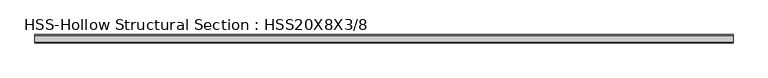
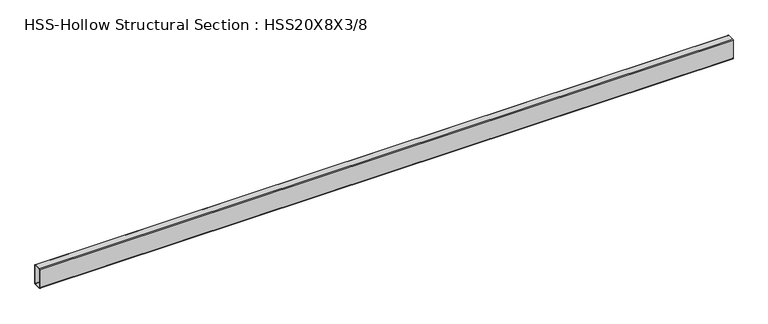
"""IFC4 building model written with IfcOpenShell, lengths in millimetres: beam geometry, HSS-Hollow Structural Section : HSS20X8X3/8."""

from ifc_helpers import new_model, si_unit, point, frame, frame_2d, origin, place, context, project, spatial, polyline, circle_curve, trimmed, segment, composite_curve, outline, extrude, source, transform, mapped, element, save


def hss_hollow_structural_section_hss20x8x3_8_7c6fca13(model_context):
    return source(origin(), model_context, "Body", "SweptSolid", [
        extrude(outline(composite_curve([segment(polyline([(101.6, 236.2708), (101.6, -236.2708)]), True, "CONTINUOUS"), segment(trimmed(circle_curve(frame_2d((83.8708, -236.2708)), 17.7292), [point((101.6, -236.2708))], [point((83.8708, -254.0))], False, "CARTESIAN"), True, "CONTINUOUS"), segment(polyline([(83.8708, -254.0), (-83.8708, -254.0)]), True, "CONTINUOUS"), segment(trimmed(circle_curve(frame_2d((-83.8708, -236.2708)), 17.7292), [point((-83.8708, -254.0))], [point((-101.6, -236.2708))], False, "CARTESIAN"), True, "CONTINUOUS"), segment(polyline([(-101.6, -236.2708), (-101.6, 236.2708)]), True, "CONTINUOUS"), segment(trimmed(circle_curve(frame_2d((-83.8708, 236.2708)), 17.7292), [point((-101.6, 236.2708))], [point((-83.8708, 254.0))], False, "CARTESIAN"), True, "CONTINUOUS"), segment(polyline([(-83.8708, 254.0), (83.8708, 254.0)]), True, "CONTINUOUS"), segment(trimmed(circle_curve(frame_2d((83.8708, 236.2708)), 17.7292), [point((83.8708, 254.0))], [point((101.6, 236.2708))], False, "CARTESIAN"), True, "CONTINUOUS")], self_intersect=False), holes=[composite_curve([segment(trimmed(circle_curve(frame_2d((-83.8708, 236.2708)), 8.8646), [point((-83.8708, 245.1354))], [point((-92.7354, 236.2708))], True, "CARTESIAN"), True, "CONTINUOUS"), segment(polyline([(-92.7354, 236.2708), (-92.7354, -236.2708)]), True, "CONTINUOUS"), segment(trimmed(circle_curve(frame_2d((-83.8708, -236.2708)), 8.8646), [point((-92.7354, -236.2708))], [point((-83.8708, -245.1354))], True, "CARTESIAN"), True, "CONTINUOUS"), segment(polyline([(-83.8708, -245.1354), (83.8708, -245.1354)]), True, "CONTINUOUS"), segment(trimmed(circle_curve(frame_2d((83.8708, -236.2708)), 8.8646), [point((83.8708, -245.1354))], [point((92.7354, -236.2708))], True, "CARTESIAN"), True, "CONTINUOUS"), segment(polyline([(92.7354, -236.2708), (92.7354, 236.2708)]), True, "CONTINUOUS"), segment(trimmed(circle_curve(frame_2d((83.8708, 236.2708)), 8.8646), [point((92.7354, 236.2708))], [point((83.8708, 245.1354))], True, "CARTESIAN"), True, "CONTINUOUS"), segment(polyline([(83.8708, 245.1354), (-83.8708, 245.1354)]), True, "CONTINUOUS")], self_intersect=False)]), frame((-8595.3887672, 0.0, 0.0), z_axis=(1.0, 0.0, 0.0), x_axis=(0.0, 1.0, 0.0)), (0.0, 0.0, 1.0), 17206.2368141),
    ])


if __name__ == "__main__":
    model = new_model("IFC4")
    model_context = context("Model", 3, world=origin())
    ifc_project = project(units=[si_unit("LENGTHUNIT", "METRE", prefix="MILLI")], contexts=[model_context])
    site = spatial("IfcSite", under=ifc_project)
    building = spatial("IfcBuilding", under=site)
    placement = place(None, origin())
    hss_hollow_structural_section_hss20x8x3_8_shape = hss_hollow_structural_section_hss20x8x3_8_7c6fca13(model_context)
    element("IfcBeam", 1, ObjectType="HSS-Hollow Structural Section : HSS20X8X3/8", at=placement, inside=building, context=model_context, shape_type="MappedRepresentation", body=[
        mapped(hss_hollow_structural_section_hss20x8x3_8_shape, transform((0.0, 0.0, 0.0), x_axis=(1.0, 0.0, 0.0), y_axis=(0.0, 1.0, 0.0), z_axis=(0.0, 0.0, 1.0))),
    ])
    save(model, "model.ifc")
